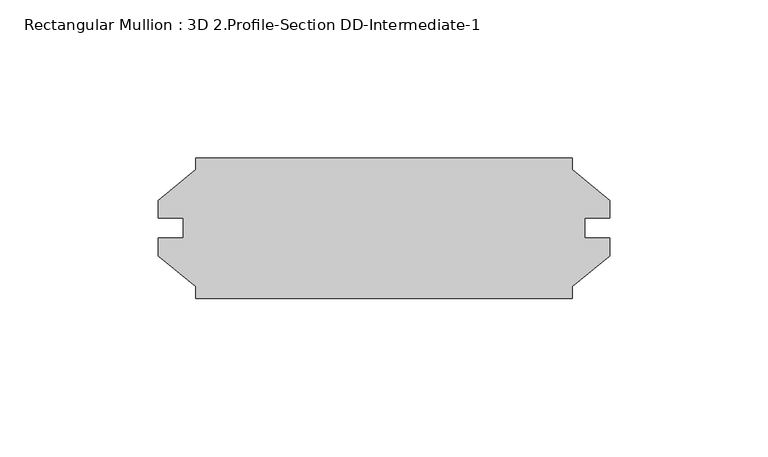
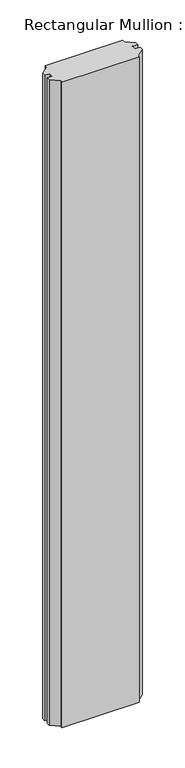
"""IFC4 building model written with IfcOpenShell, lengths in millimetres: member geometry, Rectangular Mullion : 3D 2.Profile-Section DD-Intermediate-1."""

from ifc_helpers import new_model, si_unit, frame, origin, place, context, project, spatial, polyline, outline, extrude, source, transform, mapped, element, save


def rectangular_mullion_3d_2_profile_section_dd_intermediate_1_d8efb32e(model_context):
    return source(origin(), model_context, "Body", "SweptSolid", [
        extrude(outline(polyline([(-15.6806426, -18.563286), (-15.6806426, -22.26945), (-134.7304426, -22.26945), (-134.7304426, -18.563286), (-146.6366926, -8.79475), (-146.6366926, -3.21945), (-138.6928426, -3.21945), (-138.6928426, 3.13055), (-146.6366926, 3.13055), (-146.6366926, 8.70585), (-134.7304426, 18.474386), (-134.7304426, 22.18055), (-15.6806426, 22.18055), (-15.6806426, 18.474386), (-3.7743926, 8.70585), (-3.7743926, 3.13055), (-11.7182426, 3.13055), (-11.7182426, -3.21945), (-3.7743926, -3.21945), (-3.7743926, -8.79475), (-15.6806426, -18.563286)])), frame((0.0, 0.0, -1049.1352377), z_axis=(0.0, 0.0, 1.0), x_axis=(1.0, 0.0, 0.0)), (0.0, 0.0, 1.0), 1049.1352377),
    ])


if __name__ == "__main__":
    model = new_model("IFC4")
    model_context = context("Model", 3, world=origin())
    ifc_project = project(units=[si_unit("LENGTHUNIT", "METRE", prefix="MILLI")], contexts=[model_context])
    site = spatial("IfcSite", under=ifc_project)
    building = spatial("IfcBuilding", under=site)
    placement = place(None, origin())
    rectangular_mullion_3d_2_profile_section_dd_intermediate_1_shape = rectangular_mullion_3d_2_profile_section_dd_intermediate_1_d8efb32e(model_context)
    element("IfcMember", 1, ObjectType="Rectangular Mullion : 3D 2.Profile-Section DD-Intermediate-1", at=placement, inside=building, context=model_context, shape_type="MappedRepresentation", body=[
        mapped(rectangular_mullion_3d_2_profile_section_dd_intermediate_1_shape, transform((0.0, 0.0, 0.0), x_axis=(1.0, 0.0, 0.0), y_axis=(0.0, 1.0, 0.0), z_axis=(0.0, 0.0, 1.0))),
    ])
    save(model, "model.ifc")
